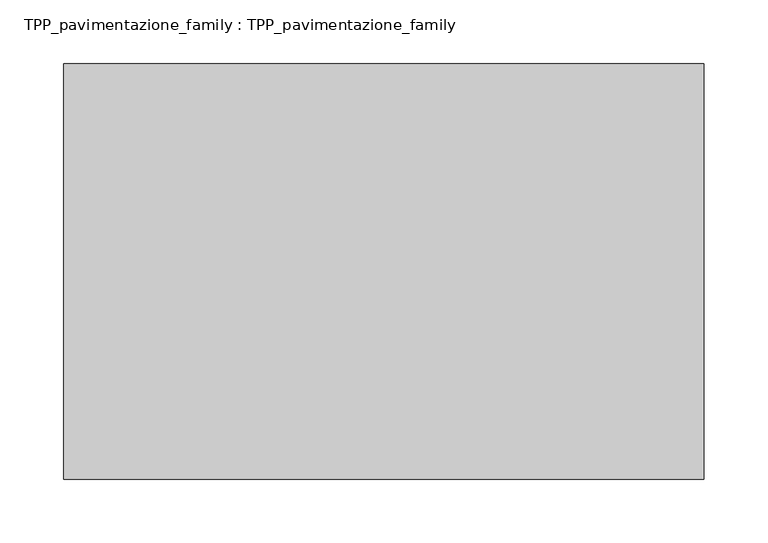
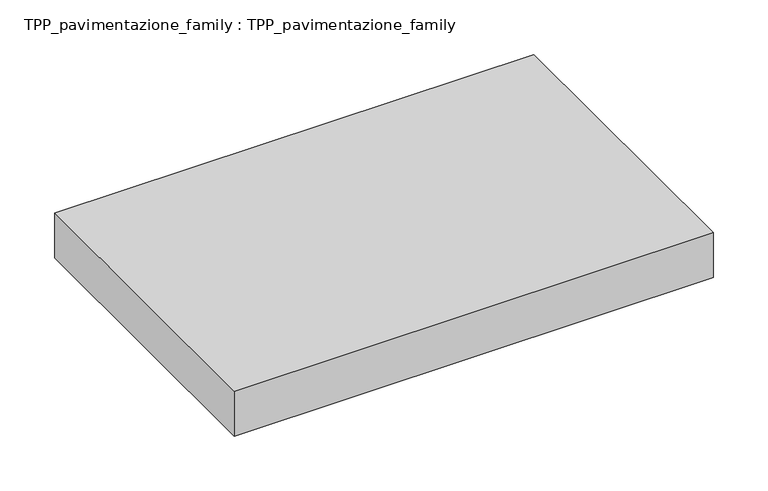
"""IFC4 building model written with IfcOpenShell, lengths in millimetres: proxy geometry, TPP_pavimentazione_family : TPP_pavimentazione_family."""

from ifc_helpers import new_model, si_unit, origin, origin_with_axes, place, context, project, spatial, polyline, outline, extrude, source, transform, mapped, element, save


def tpp_pavimentazione_family_tpp_pavimentazione_family_18a6c698(model_context):
    return source(origin(), model_context, "Body", "SweptSolid", [
        extrude(outline(polyline([(511.8146187, 354.2201026), (511.8146187, 27.5398253), (7.9130224, 27.5398253), (7.9130224, 354.2201026), (511.8146187, 354.2201026)])), origin_with_axes(), (0.0, 0.0, 1.0), 50.0),
    ])


if __name__ == "__main__":
    model = new_model("IFC4")
    model_context = context("Model", 3, world=origin())
    ifc_project = project(units=[si_unit("LENGTHUNIT", "METRE", prefix="MILLI")], contexts=[model_context])
    site = spatial("IfcSite", under=ifc_project)
    building = spatial("IfcBuilding", under=site)
    placement = place(None, origin())
    tpp_pavimentazione_family_tpp_pavimentazione_family_shape = tpp_pavimentazione_family_tpp_pavimentazione_family_18a6c698(model_context)
    element("IfcBuildingElementProxy", 1, Name="TPP_pavimentazione_family : TPP_pavimentazione_family", ObjectType="TPP_pavimentazione_family : TPP_pavimentazione_family", at=placement, inside=building, context=model_context, shape_type="MappedRepresentation", body=[
        mapped(tpp_pavimentazione_family_tpp_pavimentazione_family_shape, transform((0.0, 0.0, 0.0), x_axis=(1.0, 0.0, 0.0), y_axis=(0.0, 1.0, 0.0), z_axis=(0.0, 0.0, 1.0))),
    ])
    save(model, "model.ifc")
